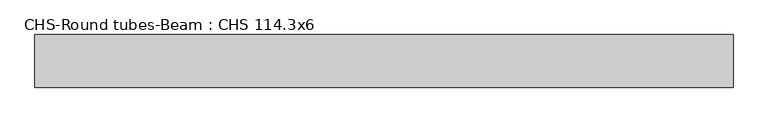
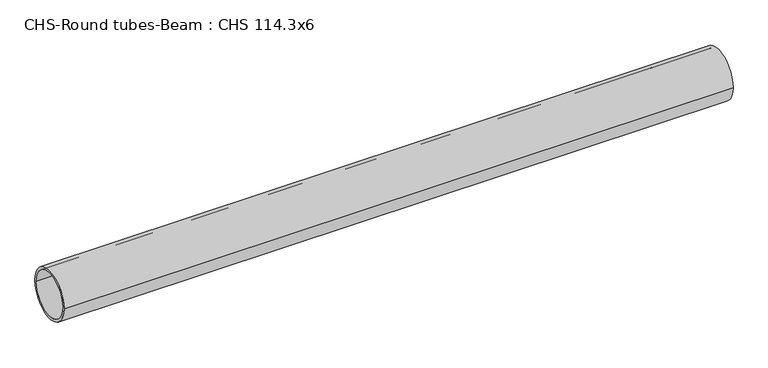
"""IFC4 building model written with IfcOpenShell, lengths in millimetres: beam geometry, CHS-Round tubes-Beam : CHS 114.3x6."""

from ifc_helpers import new_model, si_unit, point, frame, origin, origin_2d, place, context, project, spatial, circle_curve, trimmed, segment, composite_curve, outline, extrude, source, transform, mapped, element, save


def chs_round_tubes_beam_chs_114_3x6_90358c1c(model_context):
    return source(origin(), model_context, "Body", "SweptSolid", [
        extrude(outline(composite_curve([segment(trimmed(circle_curve(origin_2d(), 57.15), [point((57.15, 0.0))], [point((-57.15, 0.0))], False, "CARTESIAN"), True, "CONTINUOUS"), segment(trimmed(circle_curve(origin_2d(), 57.15), [point((-57.15, 0.0))], [point((57.15, 0.0))], False, "CARTESIAN"), True, "CONTINUOUS")], self_intersect=False), holes=[composite_curve([segment(trimmed(circle_curve(origin_2d(), 51.15), [point((51.15, 0.0))], [point((-51.15, 0.0))], True, "CARTESIAN"), True, "CONTINUOUS"), segment(trimmed(circle_curve(origin_2d(), 51.15), [point((-51.15, 0.0))], [point((51.15, 0.0))], True, "CARTESIAN"), True, "CONTINUOUS")], self_intersect=False)]), frame((-736.2017085, 0.0, 0.0), z_axis=(1.0, 0.0, 0.0), x_axis=(0.0, 1.0, 0.0)), (0.0, 0.0, 1.0), 1515.9675552),
    ])


if __name__ == "__main__":
    model = new_model("IFC4")
    model_context = context("Model", 3, world=origin())
    ifc_project = project(units=[si_unit("LENGTHUNIT", "METRE", prefix="MILLI")], contexts=[model_context])
    site = spatial("IfcSite", under=ifc_project)
    building = spatial("IfcBuilding", under=site)
    placement = place(None, origin())
    chs_round_tubes_beam_chs_114_3x6_shape = chs_round_tubes_beam_chs_114_3x6_90358c1c(model_context)
    element("IfcBeam", 1, ObjectType="CHS-Round tubes-Beam : CHS 114.3x6", at=placement, inside=building, context=model_context, shape_type="MappedRepresentation", body=[
        mapped(chs_round_tubes_beam_chs_114_3x6_shape, transform((0.0, 0.0, 0.0), x_axis=(1.0, 0.0, 0.0), y_axis=(0.0, 1.0, 0.0), z_axis=(0.0, 0.0, 1.0))),
    ])
    save(model, "model.ifc")
